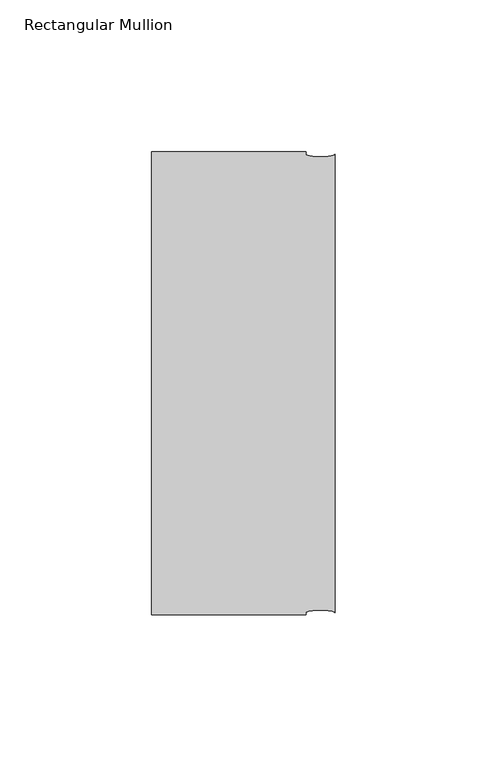
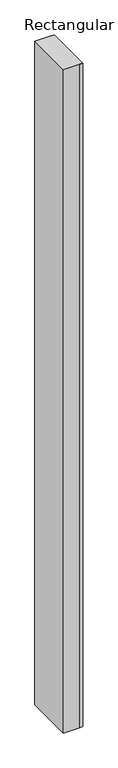
"""IFC4 building model written with IfcOpenShell, lengths in millimetres: member geometry, Rectangular Mullion."""

from ifc_helpers import new_model, si_unit, point, frame, origin, place, context, project, spatial, ellipse_curve, trimmed, source, transform, mapped, element, save
from ifc_brep_helpers import plane_surface, extruded_surface, advanced_brep


def rectangular_mullion_fe947f20(model_context):
    return source(origin(), model_context, "Body", "AdvancedBrep", [
        advanced_brep(
        [(-60.325, -139.7, 0.0), (-9.525, -139.7, 0.0), (-9.525, -138.90625, 0.0), (0.0, -138.90625, 0.0), (0.0, 11.90625, 0.0), (-9.525, 11.90625, 0.0), (-9.525, 12.7, 0.0), (-60.325, 12.7, 0.0), (-60.325, -139.7, -2159.0), (-60.325, 12.7, -2159.0), (-9.525, 12.7, -2159.0), (-9.525, 11.90625, -2159.0), (0.0, 11.90625, -2159.0), (0.0, -138.90625, -2159.0), (-9.525, -138.90625, -2159.0), (-9.525, -139.7, -2159.0)],
        [
            (0, 1),
            (1, 2),
            (2, 3, ellipse_curve(frame((-4.7625, -138.90625, 0.0), z_axis=(0.0, 0.0, -1.0), x_axis=(-1.0, 0.0, 0.0)), 4.7625, 0.79375)),
            (3, 4),
            (4, 5, ellipse_curve(frame((-4.7625, 11.90625, 0.0), z_axis=(0.0, 0.0, -1.0), x_axis=(-1.0, 0.0, 0.0)), 4.7625, 0.79375)),
            (5, 6),
            (6, 7),
            (7, 0),
            (8, 9),
            (9, 10),
            (10, 11),
            (11, 12, ellipse_curve(frame((-4.7625, 11.90625, -2159.0), z_axis=(0.0, 0.0, 1.0), x_axis=(-1.0, 0.0, 0.0)), 4.7625, 0.79375)),
            (12, 13),
            (13, 14, ellipse_curve(frame((-4.7625, -138.90625, -2159.0), z_axis=(0.0, 0.0, 1.0), x_axis=(-1.0, 0.0, 0.0)), 4.7625, 0.79375)),
            (14, 15),
            (15, 8),
            (0, 8),
            (15, 1),
            (14, 2),
            (13, 3),
            (12, 4),
            (11, 5),
            (10, 6),
            (9, 7),
        ],
        [
            plane_surface(frame((0.0, -152.1683135, 0.0), z_axis=(0.0, 0.0, 1.0), x_axis=(-1.0, 0.0, 0.0))),
            plane_surface(frame((0.0, -152.1683135, -2159.0), z_axis=(0.0, 0.0, -1.0), x_axis=(-1.0, 0.0, 0.0))),
            plane_surface(frame((-60.325, -139.7, 0.0), z_axis=(0.0, -1.0, 0.0), x_axis=(0.0, 0.0, -1.0))),
            plane_surface(frame((-9.525, -139.7, 0.0), z_axis=(1.0, 0.0, 0.0), x_axis=(0.0, 0.0, -1.0))),
            extruded_surface(trimmed(ellipse_curve(frame((-4.7625, -138.90625, -2159.0), z_axis=(0.0, 0.0, -1.0), x_axis=(-1.0, 0.0, 0.0)), 4.7625, 0.79375), [point((-9.525, -138.90625, -2159.0))], [point((0.0, -138.90625, -2159.0))], True, "CARTESIAN"), (0.0, 0.0, 2159.0), 2159.0),
            plane_surface(frame((0.0, -138.90625, 0.0), z_axis=(1.0, 0.0, 0.0), x_axis=(0.0, 0.0, -1.0))),
            extruded_surface(trimmed(ellipse_curve(frame((-4.7625, 11.90625, -2159.0), z_axis=(0.0, 0.0, -1.0), x_axis=(-1.0, 0.0, 0.0)), 4.7625, 0.79375), [point((0.0, 11.90625, -2159.0))], [point((-9.525, 11.90625, -2159.0))], True, "CARTESIAN"), (0.0, 0.0, 2159.0), 2159.0),
            plane_surface(frame((-9.525, 11.90625, 0.0), z_axis=(1.0, 0.0, 0.0), x_axis=(0.0, 0.0, -1.0))),
            plane_surface(frame((-9.525, 12.7, 0.0), z_axis=(0.0, 1.0, 0.0), x_axis=(0.0, 0.0, -1.0))),
            plane_surface(frame((-60.325, 12.7, 0.0), z_axis=(-1.0, 0.0, 0.0), x_axis=(0.0, 0.0, -1.0))),
        ],
        [
            (0, [[1, 2, 3, 4, 5, 6, 7, 8]]),
            (1, [[9, 10, 11, 12, 13, 14, 15, 16]]),
            (2, [[-1, 17, -16, 18]]),
            (3, [[-2, -18, -15, 19]]),
            (4, [[-3, -19, -14, 20]]),
            (5, [[-4, -20, -13, 21]]),
            (6, [[-5, -21, -12, 22]]),
            (7, [[-6, -22, -11, 23]]),
            (8, [[-7, -23, -10, 24]]),
            (9, [[-8, -24, -9, -17]]),
        ],
    ),
    ])


if __name__ == "__main__":
    model = new_model("IFC4")
    model_context = context("Model", 3, world=origin())
    ifc_project = project(units=[si_unit("LENGTHUNIT", "METRE", prefix="MILLI")], contexts=[model_context])
    site = spatial("IfcSite", under=ifc_project)
    building = spatial("IfcBuilding", under=site)
    placement = place(None, origin())
    rectangular_mullion_shape = rectangular_mullion_fe947f20(model_context)
    element("IfcMember", 1, ObjectType="Rectangular Mullion", at=placement, inside=building, context=model_context, shape_type="MappedRepresentation", body=[
        mapped(rectangular_mullion_shape, transform((0.0, 0.0, 0.0), x_axis=(1.0, 0.0, 0.0), y_axis=(0.0, 1.0, 0.0), z_axis=(0.0, 0.0, 1.0))),
    ])
    save(model, "model.ifc")
